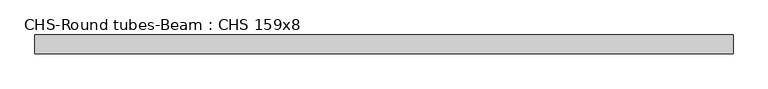
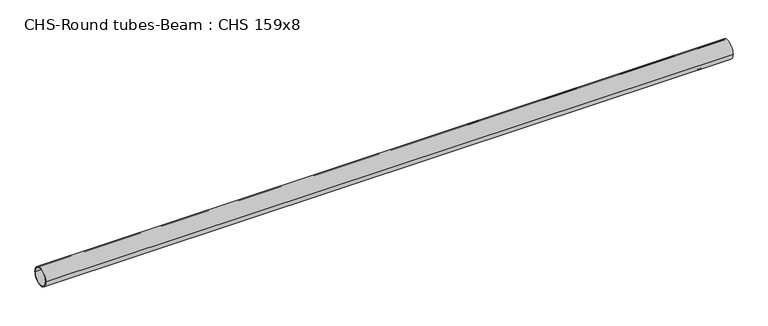
"""IFC4 building model written with IfcOpenShell, lengths in millimetres: beam geometry, CHS-Round tubes-Beam : CHS 159x8."""

from ifc_helpers import new_model, si_unit, point, frame, origin, origin_2d, place, context, project, spatial, circle_curve, trimmed, segment, composite_curve, outline, extrude, source, transform, mapped, element, save


def chs_round_tubes_beam_chs_159x8_8ed019b1(model_context):
    return source(origin(), model_context, "Body", "SweptSolid", [
        extrude(outline(composite_curve([segment(trimmed(circle_curve(origin_2d(), 79.5), [point((79.5, 0.0))], [point((-79.5, 0.0))], False, "CARTESIAN"), True, "CONTINUOUS"), segment(trimmed(circle_curve(origin_2d(), 79.5), [point((-79.5, 0.0))], [point((79.5, 0.0))], False, "CARTESIAN"), True, "CONTINUOUS")], self_intersect=False), holes=[composite_curve([segment(trimmed(circle_curve(origin_2d(), 71.5), [point((71.5, 0.0))], [point((-71.5, 0.0))], True, "CARTESIAN"), True, "CONTINUOUS"), segment(trimmed(circle_curve(origin_2d(), 71.5), [point((-71.5, 0.0))], [point((71.5, 0.0))], True, "CARTESIAN"), True, "CONTINUOUS")], self_intersect=False)]), frame((-2943.2804667, 0.0, 0.0), z_axis=(1.0, 0.0, 0.0), x_axis=(0.0, 1.0, 0.0)), (0.0, 0.0, 1.0), 5886.5609333),
    ])


if __name__ == "__main__":
    model = new_model("IFC4")
    model_context = context("Model", 3, world=origin())
    ifc_project = project(units=[si_unit("LENGTHUNIT", "METRE", prefix="MILLI")], contexts=[model_context])
    site = spatial("IfcSite", under=ifc_project)
    building = spatial("IfcBuilding", under=site)
    placement = place(None, origin())
    chs_round_tubes_beam_chs_159x8_shape = chs_round_tubes_beam_chs_159x8_8ed019b1(model_context)
    element("IfcBeam", 1, ObjectType="CHS-Round tubes-Beam : CHS 159x8", at=placement, inside=building, context=model_context, shape_type="MappedRepresentation", body=[
        mapped(chs_round_tubes_beam_chs_159x8_shape, transform((0.0, 0.0, 0.0), x_axis=(1.0, 0.0, 0.0), y_axis=(0.0, 1.0, 0.0), z_axis=(0.0, 0.0, 1.0))),
    ])
    save(model, "model.ifc")
